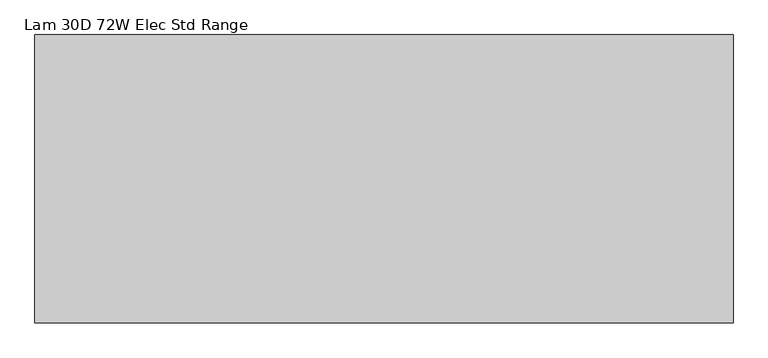
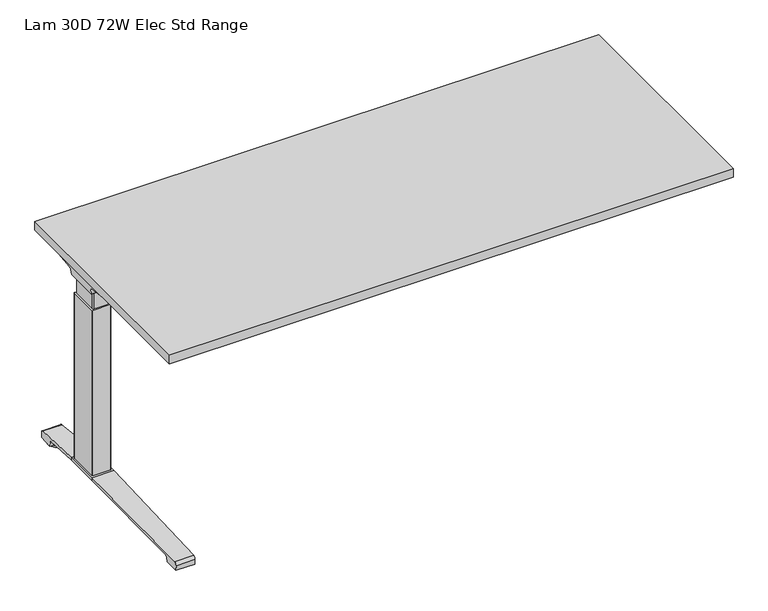
"""IFC4 building model written with IfcOpenShell, lengths in millimetres: furniture geometry, Lam 30D 72W Elec Std Range."""

from ifc_helpers import new_model, si_unit, point, frame, frame_2d, origin, place, context, project, spatial, polyline, circle_curve, ellipse_curve, trimmed, segment, composite_curve, outline, extrude, source, transform, mapped, element, save
from ifc_brep_helpers import plane_surface, cylinder_surface, revolved_surface, advanced_brep


def lam_30d_72w_elec_std_range_82334d54(model_context):
    return source(origin(), model_context, "Body", "SolidModel", [
        extrude(outline(polyline([(887.476, 366.776), (887.476, -366.776), (-887.476, -366.776), (-887.476, 366.776), (887.476, 366.776)])), frame((0.0, 0.0, 707.009), z_axis=(0.0, 0.0, 1.0), x_axis=(1.0, 0.0, 0.0)), (0.0, 0.0, 1.0), 29.591),
        advanced_brep(
        [(-871.1406297, 194.2506702, 658.5915733), (-705.4122138, 194.2506702, 658.5915733), (-719.7924181, 192.0222169, 655.9442785), (-868.6518591, 192.0222169, 655.9442785), (-871.3625278, 194.259656, 658.8276054), (-873.7619089, 194.9036827, 675.7443054), (-690.9773962, 194.9036827, 675.7443054), (-690.9773962, 194.5556965, 666.6037253), (-693.8075093, 194.4745058, 664.4710821), (-693.9501644, 194.3968397, 662.4310191), (-874.6185362, 200.3707181, 681.7839076), (-690.9773962, 200.3707181, 681.7839076), (-877.1393767, 314.9419225, 699.5569507), (-812.9243442, 314.9419225, 699.5569507), (-690.9773962, 234.1372, 687.0219877), (-877.2128152, 318.7179275, 700.0747243), (-818.6229255, 318.7179275, 700.0747243), (-877.8871296, 320.2281839, 704.8289399), (-876.1021288, 317.6512888, 707.009), (-817.0132011, 317.6512888, 707.009), (-877.8871296, -38.7453839, 704.8289399), (-877.2128152, -37.2351275, 700.0747243), (-818.6229255, -37.2351275, 700.0747243), (-817.0132011, -36.1684888, 707.009), (-876.1021288, -36.1684888, 707.009), (-877.1393767, -33.4591225, 699.5569507), (-812.9243442, -33.4591225, 699.5569507), (-874.6185362, 81.1120819, 681.7839076), (-690.9773962, 81.1120819, 681.7839076), (-690.9773962, 47.3456, 687.0219877), (-873.7619089, 86.5791173, 675.7443054), (-690.9773962, 86.5791173, 675.7443054), (-871.3625278, 87.223144, 658.8276054), (-871.1406297, 87.2321298, 658.5915733), (-705.4122138, 87.2321298, 658.5915733), (-693.9501644, 87.0859603, 662.4310191), (-693.8075093, 87.0082942, 664.4710821), (-690.9773962, 86.9271035, 666.6037253), (-868.6518591, 89.4605831, 655.9442785), (-719.7924181, 89.4605831, 655.9442785), (-690.9773962, 47.3456, 707.009), (-690.9773962, 234.1372, 707.009)],
        [
            (0, 1),
            (1, 2, ellipse_curve(frame((-729.6936465, 271.2884009, 750.1086722), z_axis=(0.0, 0.7650318638532662, -0.6439924279750482), x_axis=(0.0, 0.6439924279750482, 0.7650318638532662)), 123.7641411, 94.6835116)),
            (2, 3),
            (3, 0),
            (0, 4),
            (4, 5),
            (5, 6),
            (6, 7),
            (7, 8),
            (8, 9),
            (9, 1, ellipse_curve(frame((-729.6936465, 197.7347686, 750.1086722), z_axis=(0.0, 0.999276106683639, -0.03804290487316255), x_axis=(0.0, 0.03804290487316397, 0.999276106683639)), 94.752102, 94.6835116)),
            (5, 10, ellipse_curve(frame((-873.7119691, 201.3622409, 675.3922075), z_axis=(-0.990090671484964, 0.0, -0.14042956326377007), x_axis=(-0.1404295632637696, 0.0, 0.990090671484964)), 6.5328852, 6.4681487)),
            (10, 11),
            (11, 6, circle_curve(frame((-690.9773962, 201.3622409, 675.3922075), z_axis=(1.0, 0.0, 0.0), x_axis=(0.0, 1.0, 0.0)), 6.4681487)),
            (10, 12),
            (12, 13),
            (13, 14),
            (14, 11),
            (12, 15),
            (15, 16),
            (16, 13),
            (15, 17, ellipse_curve(frame((-877.6730772, 316.7408111, 703.3197755), z_axis=(0.990090671484964, 0.0, 0.14042956326377007), x_axis=(0.1404295632637696, 0.0, -0.990090671484964)), 3.8379455, 3.7999141)),
            (17, 18, ellipse_curve(frame((-879.122811, 316.7408111, 703.3197755), z_axis=(0.7737284588433301, 0.0, -0.6335173809580328), x_axis=(0.6335173809580328, 0.0, 0.77372845884333)), 4.9111727, 3.7999141)),
            (18, 19),
            (19, 16, ellipse_curve(frame((-815.639148, 316.7408111, 703.3197755), z_axis=(-0.5523637579768194, -0.8336031902972335, 0.0), x_axis=(0.8336031902972336, -0.5523637579768194, 0.0)), 6.8793689, 3.7999141)),
            (20, 21, ellipse_curve(frame((-877.6730772, -35.2580111, 703.3197755), z_axis=(0.990090671484964, 0.0, 0.14042956326377007), x_axis=(0.1404295632637696, 0.0, -0.990090671484964)), 3.8379455, 3.7999141)),
            (21, 22),
            (22, 23, ellipse_curve(frame((-815.639148, -35.2580111, 703.3197755), z_axis=(-0.5523637579750398, 0.8336031902984128, 0.0), x_axis=(0.8336031902984128, 0.5523637579750399, 0.0)), 6.8793689, 3.7999141)),
            (23, 24),
            (24, 20, ellipse_curve(frame((-879.122811, -35.2580111, 703.3197755), z_axis=(0.7737284588433301, 0.0, -0.6335173809580328), x_axis=(0.6335173809580328, 0.0, 0.77372845884333)), 4.9111727, 3.7999141)),
            (21, 25),
            (25, 26),
            (26, 22),
            (27, 28),
            (28, 29),
            (29, 26),
            (25, 27),
            (27, 30, ellipse_curve(frame((-873.7119691, 80.1205591, 675.3922075), z_axis=(-0.990090671484964, 0.0, -0.14042956326377007), x_axis=(-0.1404295632637696, 0.0, 0.990090671484964)), 6.5328852, 6.4681487)),
            (30, 31),
            (31, 28, circle_curve(frame((-690.9773962, 80.1205591, 675.3922075), z_axis=(1.0, 0.0, 0.0), x_axis=(0.0, 1.0, 0.0)), 6.4681487)),
            (30, 32),
            (32, 33),
            (33, 34),
            (34, 35, ellipse_curve(frame((-729.6936465, 83.7480314, 750.1086722), z_axis=(0.0, -0.9992761066836363, -0.03804290487323539), x_axis=(0.0, 0.03804290487323121, -0.9992761066836364)), 94.752102, 94.6835116)),
            (35, 36),
            (36, 37),
            (37, 31),
            (33, 38),
            (38, 39),
            (39, 34, ellipse_curve(frame((-729.6936465, 10.1943991, 750.1086722), z_axis=(0.0, -0.7650318638534733, -0.643992427974802), x_axis=(0.0, 0.643992427974802, -0.7650318638534732)), 123.7641411, 94.6835116)),
            (4, 32),
            (20, 17),
            (24, 18),
            (23, 40),
            (40, 41),
            (41, 19),
            (37, 7),
            (14, 41),
            (40, 29),
            (36, 8),
            (35, 9),
            (39, 2),
            (38, 3),
        ],
        [
            plane_surface(frame((-894.1773962, 192.0222169, 655.9442785), z_axis=(0.0, 0.7650318638532662, -0.6439924279750482), x_axis=(1.0, 0.0, 0.0))),
            plane_surface(frame((-894.1773962, 194.2506702, 658.5915733), z_axis=(0.0, 0.999276106683639, -0.03804290487316255), x_axis=(1.0, 0.0, 0.0))),
            revolved_surface(polyline([(-874.6293793154883, 207.8303896, 675.3922075), (-690.9773962, 207.8303896, 675.3922075)]), (-894.1773962, 201.3622409, 675.3922075), (-1.0, 0.0, 0.0)),
            plane_surface(frame((-894.1773962, 200.3707181, 681.7839076), z_axis=(0.0, 0.153293135871396, -0.9881807600306302), x_axis=(1.0, 0.0, 0.0))),
            plane_surface(frame((-894.1773962, 314.9419225, 699.5569507), z_axis=(0.0, 0.13585085469026903, -0.9907292996979162), x_axis=(1.0, 0.0, 0.0))),
            cylinder_surface(frame((-894.1773962, 316.7408111, 703.3197755), z_axis=(1.0, 0.0, 0.0), x_axis=(0.0, 1.0, 0.0)), 3.7999141),
            cylinder_surface(frame((-894.1773962, -35.2580111, 703.3197755), z_axis=(1.0, 0.0, 0.0), x_axis=(0.0, 1.0, 0.0)), 3.7999141),
            plane_surface(frame((-894.1773962, -37.2351275, 700.0747243), z_axis=(0.0, -0.13585085468791205, -0.9907292996982394), x_axis=(1.0, 0.0, 0.0))),
            plane_surface(frame((-894.1773962, -33.4591225, 699.5569507), z_axis=(0.0, -0.1532931358714066, -0.9881807600306285), x_axis=(1.0, 0.0, 0.0))),
            revolved_surface(polyline([(-874.6293793154883, 86.5887078, 675.3922075), (-690.9773962, 86.5887078, 675.3922075)]), (-894.1773962, 80.1205591, 675.3922075), (-1.0, 0.0, 0.0)),
            plane_surface(frame((-894.1773962, 86.5791173, 675.7443054), z_axis=(0.0, -0.9992761066836363, -0.03804290487323539), x_axis=(1.0, 0.0, 0.0))),
            plane_surface(frame((-894.1773962, 87.2321298, 658.5915733), z_axis=(0.0, -0.7650318638534733, -0.643992427974802), x_axis=(1.0, 0.0, 0.0))),
            plane_surface(frame((-871.3625278, 331.2414, 658.8276054), z_axis=(-0.990090671484964, 0.0, -0.14042956326377007), x_axis=(0.0, -1.0, 0.0))),
            plane_surface(frame((-877.8871296, 331.2414, 704.8289399), z_axis=(-0.7737284588433301, 0.0, 0.6335173809580328), x_axis=(0.0, -1.0, 0.0))),
            plane_surface(frame((-876.1021288, 331.2414, 707.009), z_axis=(0.0, 0.0, 1.0), x_axis=(0.0, -1.0, 0.0))),
            plane_surface(frame((-690.9773962, 331.2414, 707.009), z_axis=(1.0, 0.0, 0.0), x_axis=(0.0, -1.0, 0.0))),
            plane_surface(frame((-690.9773962, 331.2414, 666.6037253), z_axis=(0.6018150231516275, 0.0, -0.7986355100476099), x_axis=(0.0, -1.0, 0.0))),
            plane_surface(frame((-693.8075093, 331.2414, 664.4710821), z_axis=(0.9975640502600398, 0.0, -0.06975647374104288), x_axis=(0.0, -1.0, 0.0))),
            cylinder_surface(frame((-729.6936465, 331.2414, 750.1086722), z_axis=(0.0, 1.0, 0.0), x_axis=(1.0, 0.0, 0.0)), 94.6835116),
            plane_surface(frame((-719.7924181, 331.2414, 655.9442785), z_axis=(0.0, 0.0, -1.0), x_axis=(0.0, -1.0, 0.0))),
            plane_surface(frame((-868.6518591, 331.2414, 655.9442785), z_axis=(-0.728584606419653, 0.0, -0.6849558170337118), x_axis=(0.0, -1.0, 0.0))),
            plane_surface(frame((-837.5228017, 331.2414, 707.009), z_axis=(0.5523637579768194, 0.8336031902972335, 0.0), x_axis=(0.0, 0.0, -1.0))),
            plane_surface(frame((-690.9773962, 47.3456, 707.009), z_axis=(0.5523637579750398, -0.8336031902984128, 0.0), x_axis=(0.0, 0.0, -1.0))),
        ],
        [
            (0, [[1, 2, 3, 4]]),
            (1, [[-1, 5, 6, 7, 8, 9, 10, 11]]),
            (2, [[-7, 12, 13, 14]]),
            (3, [[-13, 15, 16, 17, 18]]),
            (4, [[19, 20, 21, -16]]),
            (5, [[22, 23, 24, 25, -20]]),
            (6, [[26, 27, 28, 29, 30]]),
            (7, [[31, 32, 33, -27]]),
            (8, [[34, 35, 36, -32, 37]]),
            (9, [[-34, 38, 39, 40]]),
            (10, [[-39, 41, 42, 43, 44, 45, 46, 47]]),
            (11, [[-43, 48, 49, 50]]),
            (12, [[51, -41, -38, -37, -31, -26, 52, -22, -19, -15, -12, -6]]),
            (13, [[-52, -30, 53, -23]]),
            (14, [[-53, -29, 54, 55, 56, -24]]),
            (15, [[57, -8, -14, -18, 58, -55, 59, -35, -40, -47]]),
            (16, [[-57, -46, 60, -9]]),
            (17, [[-60, -45, 61, -10]]),
            (18, [[-61, -44, -50, 62, -2, -11]]),
            (19, [[-62, -49, 63, -3]]),
            (20, [[-51, -5, -4, -63, -48, -42]]),
            (21, [[-56, -58, -17, -21, -25]]),
            (22, [[-54, -28, -33, -36, -59]]),
        ],
    ),
        advanced_brep(
        [(705.4122138, 194.2506702, 658.5915733), (871.1406297, 194.2506702, 658.5915733), (868.6518591, 192.0222169, 655.9442785), (719.7924181, 192.0222169, 655.9442785), (693.9501644, 194.3968397, 662.4310191), (693.8075093, 194.4745058, 664.4710821), (691.1619573, 194.5504018, 666.4646485), (691.1619573, 194.9036827, 675.7443054), (873.7619089, 194.9036827, 675.7443054), (871.3625278, 194.259656, 658.8276054), (691.1619573, 200.3707181, 681.7839076), (874.6185362, 200.3707181, 681.7839076), (691.1619573, 234.1303953, 687.0209321), (812.9570453, 314.9419225, 699.5569507), (877.1393767, 314.9419225, 699.5569507), (877.2128152, 318.7179275, 700.0747243), (818.6480509, 318.7179275, 700.0747243), (877.8871296, 320.2281839, 704.8289399), (817.0404665, 317.6512888, 707.009), (876.1021288, 317.6512888, 707.009), (877.2128152, -37.2351275, 700.0747243), (877.8871296, -38.7453839, 704.8289399), (876.1021288, -36.1684888, 707.009), (817.0404665, -36.1684888, 707.009), (818.6480509, -37.2351275, 700.0747243), (877.1393767, -33.4591225, 699.5569507), (812.9570453, -33.4591225, 699.5569507), (691.1619573, 81.1120819, 681.7839076), (874.6185362, 81.1120819, 681.7839076), (691.1619573, 47.3524047, 687.0209321), (691.1619573, 86.5791173, 675.7443054), (873.7619089, 86.5791173, 675.7443054), (691.1619573, 86.9323982, 666.4646485), (693.8075093, 87.0082942, 664.4710821), (693.9501644, 87.0859603, 662.4310191), (705.4122138, 87.2321298, 658.5915733), (871.1406297, 87.2321298, 658.5915733), (871.3625278, 87.223144, 658.8276054), (719.7924181, 89.4605831, 655.9442785), (868.6518591, 89.4605831, 655.9442785), (691.1619573, 234.1303953, 707.009), (691.1619573, 47.3524047, 707.009)],
        [
            (0, 1),
            (1, 2),
            (2, 3),
            (3, 0, ellipse_curve(frame((729.6936465, 271.2884009, 750.1086722), z_axis=(0.0, 0.7650318638532565, -0.6439924279750596), x_axis=(0.0, -0.6439924279750596, -0.7650318638532564)), 123.7641411, 94.6835116)),
            (0, 4, ellipse_curve(frame((729.6936465, 197.7347686, 750.1086722), z_axis=(0.0, 0.9992761066836392, -0.03804290487315862), x_axis=(0.0, -0.03804290487315623, -0.9992761066836393)), 94.752102, 94.6835116)),
            (4, 5),
            (5, 6),
            (6, 7),
            (7, 8),
            (8, 9),
            (9, 1),
            (7, 10, circle_curve(frame((691.1619573, 201.3622409, 675.3922075), z_axis=(-1.0, 0.0, 0.0), x_axis=(0.0, 1.0, 0.0)), 6.4681487)),
            (10, 11),
            (11, 8, ellipse_curve(frame((873.7119691, 201.3622409, 675.3922075), z_axis=(0.9900906714849659, 0.0, -0.1404295632637567), x_axis=(-0.1404295632637562, 0.0, -0.9900906714849659)), 6.5328852, 6.4681487)),
            (10, 12),
            (12, 13),
            (13, 14),
            (14, 11),
            (15, 14),
            (13, 16),
            (16, 15),
            (17, 15, ellipse_curve(frame((877.6730772, 316.7408111, 703.3197755), z_axis=(-0.9900906714849659, 0.0, 0.1404295632637567), x_axis=(0.1404295632637562, 0.0, 0.9900906714849659)), 3.8379455, 3.7999141)),
            (16, 18, ellipse_curve(frame((815.66824, 316.7408111, 703.3197755), z_axis=(0.5528743936295497, -0.8332646067539158, 0.0), x_axis=(0.8332646067539156, 0.5528743936295497, 0.0)), 6.8730151, 3.7999141)),
            (18, 19),
            (19, 17, ellipse_curve(frame((879.122811, 316.7408111, 703.3197755), z_axis=(-0.7737284588399557, 0.0, -0.633517380962154), x_axis=(0.6335173809621538, 0.0, -0.7737284588399556)), 4.9111727, 3.7999141)),
            (20, 21, ellipse_curve(frame((877.6730772, -35.2580111, 703.3197755), z_axis=(-0.9900906714849659, 0.0, 0.1404295632637567), x_axis=(0.1404295632637562, 0.0, 0.9900906714849659)), 3.8379455, 3.7999141)),
            (21, 22, ellipse_curve(frame((879.122811, -35.2580111, 703.3197755), z_axis=(-0.7737284588399557, 0.0, -0.633517380962154), x_axis=(0.6335173809621538, 0.0, -0.7737284588399556)), 4.9111727, 3.7999141)),
            (22, 23),
            (23, 24, ellipse_curve(frame((815.66824, -35.2580111, 703.3197755), z_axis=(0.5528743936295342, 0.8332646067539261, 0.0), x_axis=(0.8332646067539259, -0.5528743936295342, 0.0)), 6.8730151, 3.7999141)),
            (24, 20),
            (25, 20),
            (24, 26),
            (26, 25),
            (27, 28),
            (28, 25),
            (26, 29),
            (29, 27),
            (27, 30, circle_curve(frame((691.1619573, 80.1205591, 675.3922075), z_axis=(-1.0, 0.0, 0.0), x_axis=(0.0, 1.0, 0.0)), 6.4681487)),
            (30, 31),
            (31, 28, ellipse_curve(frame((873.7119691, 80.1205591, 675.3922075), z_axis=(0.9900906714849659, 0.0, -0.1404295632637567), x_axis=(-0.1404295632637562, 0.0, -0.9900906714849659)), 6.5328852, 6.4681487)),
            (30, 32),
            (32, 33),
            (33, 34),
            (34, 35, ellipse_curve(frame((729.6936465, 83.7480314, 750.1086722), z_axis=(0.0, -0.9992761066836363, -0.03804290487323539), x_axis=(0.0, -0.03804290487323121, 0.9992761066836364)), 94.752102, 94.6835116)),
            (35, 36),
            (36, 37),
            (37, 31),
            (35, 38, ellipse_curve(frame((729.6936465, 10.1943991, 750.1086722), z_axis=(0.0, -0.7650318638534733, -0.643992427974802), x_axis=(0.0, -0.643992427974802, 0.7650318638534732)), 123.7641411, 94.6835116)),
            (38, 39),
            (39, 36),
            (37, 9),
            (17, 21),
            (19, 22),
            (18, 40),
            (40, 41),
            (41, 23),
            (6, 32),
            (29, 41),
            (40, 12),
            (5, 33),
            (4, 34),
            (3, 38),
            (2, 39),
        ],
        [
            plane_surface(frame((691.1619573, 192.0222169, 655.9442785), z_axis=(0.0, 0.7650318638532565, -0.6439924279750596), x_axis=(1.0, 0.0, 0.0))),
            plane_surface(frame((691.1619573, 194.2506702, 658.5915733), z_axis=(0.0, 0.9992761066836392, -0.03804290487315862), x_axis=(1.0, 0.0, 0.0))),
            revolved_surface(polyline([(691.1619573, 207.8303896, 675.3922075), (874.6293793154882, 207.8303896, 675.3922075)]), (691.1619573, 201.3622409, 675.3922075), (-1.0, 0.0, 0.0)),
            plane_surface(frame((691.1619573, 200.3707181, 681.7839076), z_axis=(0.0, 0.15329313587140309, -0.988180760030629), x_axis=(1.0, 0.0, 0.0))),
            plane_surface(frame((691.1619573, 314.9419225, 699.5569507), z_axis=(0.0, 0.1358508546900816, -0.9907292996979419), x_axis=(1.0, 0.0, 0.0))),
            cylinder_surface(frame((691.1619573, 316.7408111, 703.3197755), z_axis=(1.0, 0.0, 0.0), x_axis=(0.0, 1.0, 0.0)), 3.7999141),
            cylinder_surface(frame((691.1619573, -35.2580111, 703.3197755), z_axis=(1.0, 0.0, 0.0), x_axis=(0.0, 1.0, 0.0)), 3.7999141),
            plane_surface(frame((691.1619573, -37.2351275, 700.0747243), z_axis=(0.0, -0.1358508546877776, -0.9907292996982578), x_axis=(1.0, 0.0, 0.0))),
            plane_surface(frame((691.1619573, -33.4591225, 699.5569507), z_axis=(0.0, -0.15329313587141113, -0.9881807600306277), x_axis=(1.0, 0.0, 0.0))),
            revolved_surface(polyline([(691.1619573, 86.5887078, 675.3922075), (874.6293793154882, 86.5887078, 675.3922075)]), (691.1619573, 80.1205591, 675.3922075), (-1.0, 0.0, 0.0)),
            plane_surface(frame((691.1619573, 86.5791173, 675.7443054), z_axis=(0.0, -0.9992761066836363, -0.03804290487323539), x_axis=(1.0, 0.0, 0.0))),
            plane_surface(frame((691.1619573, 87.2321298, 658.5915733), z_axis=(0.0, -0.7650318638534733, -0.643992427974802), x_axis=(1.0, 0.0, 0.0))),
            plane_surface(frame((871.3625278, -49.7586, 658.8276054), z_axis=(0.9900906714849659, 0.0, -0.1404295632637567), x_axis=(0.0, 1.0, 0.0))),
            plane_surface(frame((877.8871296, -49.7586, 704.8289399), z_axis=(0.7737284588399557, 0.0, 0.633517380962154), x_axis=(0.0, 1.0, 0.0))),
            plane_surface(frame((876.1021288, -49.7586, 707.009), z_axis=(0.0, 0.0, 1.0), x_axis=(0.0, 1.0, 0.0))),
            plane_surface(frame((691.1619573, -49.7586, 707.009), z_axis=(-1.0, 0.0, 0.0), x_axis=(0.0, 1.0, 0.0))),
            plane_surface(frame((691.1619573, -49.7586, 666.4646485), z_axis=(-0.6018150231540728, 0.0, -0.7986355100457674), x_axis=(0.0, 1.0, 0.0))),
            plane_surface(frame((693.8075093, -49.7586, 664.4710821), z_axis=(-0.9975640502598242, 0.0, -0.06975647374412697), x_axis=(0.0, 1.0, 0.0))),
            cylinder_surface(frame((729.6936465, -49.7586, 750.1086722), z_axis=(0.0, -1.0, 0.0), x_axis=(-1.0, 0.0, 0.0)), 94.6835116),
            plane_surface(frame((719.7924181, -49.7586, 655.9442785), z_axis=(0.0, 0.0, -1.0), x_axis=(0.0, 1.0, 0.0))),
            plane_surface(frame((868.6518591, -49.7586, 655.9442785), z_axis=(0.7285846064222866, 0.0, -0.6849558170309101), x_axis=(0.0, 1.0, 0.0))),
            plane_surface(frame((691.1619573, 234.1303953, 707.009), z_axis=(-0.5528743936295497, 0.8332646067539158, 0.0), x_axis=(0.0, 0.0, -1.0))),
            plane_surface(frame((837.5228017, -49.7586, 707.009), z_axis=(-0.5528743936295342, -0.8332646067539261, 0.0), x_axis=(0.0, 0.0, -1.0))),
        ],
        [
            (0, [[1, 2, 3, 4]]),
            (1, [[-1, 5, 6, 7, 8, 9, 10, 11]]),
            (2, [[-9, 12, 13, 14]]),
            (3, [[-13, 15, 16, 17, 18]]),
            (4, [[19, -17, 20, 21]]),
            (5, [[22, -21, 23, 24, 25]]),
            (6, [[26, 27, 28, 29, 30]]),
            (7, [[31, -30, 32, 33]]),
            (8, [[34, 35, -33, 36, 37]]),
            (9, [[-34, 38, 39, 40]]),
            (10, [[-39, 41, 42, 43, 44, 45, 46, 47]]),
            (11, [[-45, 48, 49, 50]]),
            (12, [[51, -10, -14, -18, -19, -22, 52, -26, -31, -35, -40, -47]]),
            (13, [[-52, -25, 53, -27]]),
            (14, [[-53, -24, 54, 55, 56, -28]]),
            (15, [[57, -41, -38, -37, 58, -55, 59, -15, -12, -8]]),
            (16, [[-57, -7, 60, -42]]),
            (17, [[-60, -6, 61, -43]]),
            (18, [[-61, -5, -4, 62, -48, -44]]),
            (19, [[-62, -3, 63, -49]]),
            (20, [[-51, -46, -50, -63, -2, -11]]),
            (21, [[-54, -23, -20, -16, -59]]),
            (22, [[-56, -58, -36, -32, -29]]),
        ],
    ),
        advanced_brep(
        [(-690.9773962, 219.4245697, 701.7794894), (-690.9773962, 221.1889242, 704.0075511), (-690.9773962, 232.1695225, 704.0075511), (-690.9773962, 232.8996919, 701.4093085), (-690.9773962, 211.4733108, 671.8462148), (-690.9773962, 194.0724914, 663.2452863), (-690.9773962, 87.2846156, 663.2452863), (-690.9773962, 69.6568217, 672.2997482), (-690.9773962, 48.3221138, 702.0706054), (-690.9773962, 49.9606766, 704.1266572), (-690.9773962, 60.1758098, 704.1266572), (-690.9773962, 62.0467848, 701.7794894), (-690.9773962, 61.3055637, 701.2423822), (-690.9773962, 59.7353363, 703.2122572), (-690.9773962, 50.0567238, 703.2122572), (-690.9773962, 49.2508351, 702.3444366), (-690.9773962, 70.4000744, 672.8323858), (-690.9773962, 87.2846156, 664.1598536), (-690.9773962, 194.0724914, 664.1596863), (-690.9773962, 210.73984, 672.3923713), (-690.9773962, 232.0935627, 701.8552144), (-690.9773962, 231.8362942, 703.0931511), (-690.9773962, 221.631209, 703.0931511), (-690.9773962, 220.1656719, 701.2424419), (691.1619573, 219.4245697, 701.7794894), (691.1619573, 220.1656719, 701.2424419), (691.1619573, 221.631209, 703.0931511), (691.1619573, 231.8362942, 703.0931511), (691.1619573, 232.0935627, 701.8552144), (691.1619573, 210.73984, 672.3923713), (691.1619573, 194.0724914, 664.1596863), (691.1619573, 87.2846155, 664.1596863), (691.1619573, 70.4000744, 672.8323858), (691.1619573, 49.2508351, 702.3444366), (691.1619573, 50.0567238, 703.2122572), (691.1619573, 59.7353363, 703.2122572), (691.1619573, 61.3055637, 701.2423822), (691.1619573, 62.0467848, 701.7794894), (691.1619573, 60.1758098, 704.1266572), (691.1619573, 49.9606766, 704.1266572), (691.1619573, 48.3221138, 702.0706054), (691.1619573, 69.6568217, 672.2997482), (691.1619573, 87.2846156, 663.2454536), (691.1619573, 194.0724914, 663.2452863), (691.1619573, 211.4733108, 671.8462148), (691.1619573, 232.8996919, 701.4093085), (691.1619573, 232.1695225, 704.0075511), (691.1619573, 221.1889242, 704.0075511)],
        [
            (0, 1),
            (1, 2),
            (2, 3, circle_curve(frame((-690.9773962, 230.9519576, 702.2636667), z_axis=(-1.0, 0.0, 0.0), x_axis=(0.0, 1.0, 0.0)), 2.1268749)),
            (3, 4),
            (4, 5, circle_curve(frame((-690.9773962, 194.0724914, 685.1478336), z_axis=(-1.0, 0.0, 0.0), x_axis=(0.0, 1.0, 0.0)), 21.9025472)),
            (5, 6),
            (6, 7, circle_curve(frame((-690.9773962, 87.2846156, 684.932365), z_axis=(-1.0, 0.0, 0.0), x_axis=(0.0, 1.0, 0.0)), 21.6869114)),
            (7, 8),
            (8, 9, circle_curve(frame((-690.9773962, 50.3224635, 702.1573833), z_axis=(-1.0, 0.0, 0.0), x_axis=(0.0, 1.0, 0.0)), 2.0022311)),
            (9, 10),
            (10, 11),
            (11, 12),
            (12, 13),
            (13, 14),
            (14, 15, circle_curve(frame((-690.9773962, 50.3224635, 702.1573833), z_axis=(1.0, 0.0, 0.0), x_axis=(0.0, 1.0, 0.0)), 1.0878311)),
            (15, 16),
            (16, 17, circle_curve(frame((-690.9773962, 87.2846156, 684.932365), z_axis=(1.0, 0.0, 0.0), x_axis=(0.0, 1.0, 0.0)), 20.7725114)),
            (17, 18),
            (18, 19, circle_curve(frame((-690.9773962, 194.0724914, 685.1478336), z_axis=(1.0, 0.0, 0.0), x_axis=(0.0, 1.0, 0.0)), 20.9881473)),
            (19, 20),
            (20, 21, circle_curve(frame((-690.9773962, 230.9519576, 702.2636667), z_axis=(1.0, 0.0, 0.0), x_axis=(0.0, 1.0, 0.0)), 1.2124749)),
            (21, 22),
            (22, 23),
            (23, 0),
            (24, 25),
            (25, 26),
            (26, 27),
            (27, 28, circle_curve(frame((691.1619573, 230.9519576, 702.2636667), z_axis=(-1.0, 0.0, 0.0), x_axis=(0.0, 1.0, 0.0)), 1.2124749)),
            (28, 29),
            (29, 30, circle_curve(frame((691.1619573, 194.0724914, 685.1478336), z_axis=(-1.0, 0.0, 0.0), x_axis=(0.0, 1.0, 0.0)), 20.9881473)),
            (30, 31),
            (31, 32, circle_curve(frame((691.1619573, 87.2846156, 684.932365), z_axis=(-1.0, 0.0, 0.0), x_axis=(0.0, 1.0, 0.0)), 20.7725114)),
            (32, 33),
            (33, 34, circle_curve(frame((691.1619573, 50.3224635, 702.1573833), z_axis=(-1.0, 0.0, 0.0), x_axis=(0.0, 1.0, 0.0)), 1.0878311)),
            (34, 35),
            (35, 36),
            (36, 37),
            (37, 38),
            (38, 39),
            (39, 40, circle_curve(frame((691.1619573, 50.3224635, 702.1573833), z_axis=(1.0, 0.0, 0.0), x_axis=(0.0, 1.0, 0.0)), 2.0022311)),
            (40, 41),
            (41, 42, circle_curve(frame((691.1619573, 87.2846156, 684.932365), z_axis=(1.0, 0.0, 0.0), x_axis=(0.0, 1.0, 0.0)), 21.6869114)),
            (42, 43),
            (43, 44, circle_curve(frame((691.1619573, 194.0724914, 685.1478336), z_axis=(1.0, 0.0, 0.0), x_axis=(0.0, 1.0, 0.0)), 21.9025472)),
            (44, 45),
            (45, 46, circle_curve(frame((691.1619573, 230.9519576, 702.2636667), z_axis=(1.0, 0.0, 0.0), x_axis=(0.0, 1.0, 0.0)), 2.1268749)),
            (46, 47),
            (47, 24),
            (0, 24),
            (47, 1),
            (46, 2),
            (45, 3),
            (44, 4),
            (43, 5),
            (42, 6),
            (41, 7),
            (40, 8),
            (39, 9),
            (38, 10),
            (37, 11),
            (36, 12),
            (35, 13),
            (34, 14),
            (33, 15),
            (32, 16),
            (31, 17),
            (30, 18),
            (29, 19),
            (28, 20),
            (27, 21),
            (26, 22),
            (25, 23),
        ],
        [
            plane_surface(frame((-690.9773962, 140.7414, 707.009), z_axis=(-1.0, 0.0, 0.0), x_axis=(0.0, 0.0, 1.0))),
            plane_surface(frame((691.1619573, 140.7414, 707.009), z_axis=(1.0, 0.0, 0.0), x_axis=(0.0, 0.0, 1.0))),
            plane_surface(frame((-690.9773962, 219.4245697, 701.7794894), z_axis=(0.0, -0.7839649337165058, 0.6208051084703434), x_axis=(1.0, 0.0, 0.0))),
            plane_surface(frame((-690.9773962, 221.1889242, 704.0075511), z_axis=(0.0, 0.0, 1.0), x_axis=(1.0, 0.0, 0.0))),
            cylinder_surface(frame((-690.9773962, 230.9519576, 702.2636667), z_axis=(-1.0, 0.0, 0.0), x_axis=(0.0, 1.0, 0.0)), 2.1268749),
            plane_surface(frame((-690.9773962, 232.8996919, 701.4093085), z_axis=(0.0, 0.8096997445281038, -0.586844377762217), x_axis=(1.0, 0.0, 0.0))),
            cylinder_surface(frame((-690.9773962, 194.0724914, 685.1478336), z_axis=(-1.0, 0.0, 0.0), x_axis=(0.0, 1.0, 0.0)), 21.9025472),
            plane_surface(frame((-690.9773962, 194.0724914, 663.2452863), z_axis=(0.0, 0.0, -1.0), x_axis=(1.0, 0.0, 0.0))),
            cylinder_surface(frame((-690.9773962, 87.2846156, 684.932365), z_axis=(-1.0, 0.0, 0.0), x_axis=(0.0, 1.0, 0.0)), 21.6869114),
            plane_surface(frame((-690.9773962, 69.6568217, 672.2997482), z_axis=(0.0, -0.8128309997561537, -0.5824995844079305), x_axis=(1.0, 0.0, 0.0))),
            cylinder_surface(frame((-690.9773962, 50.3224635, 702.1573833), z_axis=(-1.0, 0.0, 0.0), x_axis=(0.0, 1.0, 0.0)), 2.0022311),
            plane_surface(frame((-690.9773962, 49.9606766, 704.1266572), z_axis=(0.0, 0.0, 1.0), x_axis=(1.0, 0.0, 0.0))),
            plane_surface(frame((-690.9773962, 60.1758098, 704.1266572), z_axis=(0.0, 0.7819660587237972, 0.6233210112004657), x_axis=(1.0, 0.0, 0.0))),
            plane_surface(frame((-690.9773962, 62.0467848, 701.7794894), z_axis=(0.0, 0.5867684336468096, -0.8097547809526473), x_axis=(1.0, 0.0, 0.0))),
            plane_surface(frame((-690.9773962, 61.3055637, 701.2423822), z_axis=(0.0, -0.7819660587239206, -0.6233210112003109), x_axis=(1.0, 0.0, 0.0))),
            plane_surface(frame((-690.9773962, 59.7353363, 703.2122572), z_axis=(0.0, 0.0, -1.0), x_axis=(1.0, 0.0, 0.0))),
            revolved_surface(polyline([(691.1619573000002, 51.4102946, 702.1573833), (-690.9773962, 51.4102946, 702.1573833)]), (-690.9773962, 50.3224635, 702.1573833), (1.0, 0.0, 0.0)),
            plane_surface(frame((-690.9773962, 49.2508351, 702.3444366), z_axis=(0.0, 0.8128309996716102, 0.582499584525904), x_axis=(1.0, 0.0, 0.0))),
            revolved_surface(polyline([(691.1619573000002, 108.057127, 684.932365), (-690.9773962, 108.057127, 684.932365)]), (-690.9773962, 87.2846156, 684.932365), (1.0, 0.0, 0.0)),
            plane_surface(frame((-690.9773962, 87.2846155, 664.1596863), z_axis=(0.0, 0.0, 1.0), x_axis=(1.0, 0.0, 0.0))),
            revolved_surface(polyline([(691.1619573000002, 215.0606387, 685.1478336), (-690.9773962, 215.0606387, 685.1478336)]), (-690.9773962, 194.0724914, 685.1478336), (1.0, 0.0, 0.0)),
            plane_surface(frame((-690.9773962, 210.73984, 672.3923713), z_axis=(0.0, -0.8096997449536107, 0.5868443771751228), x_axis=(1.0, 0.0, 0.0))),
            revolved_surface(polyline([(691.1619573000002, 232.16443249999998, 702.2636667), (-690.9773962, 232.16443249999998, 702.2636667)]), (-690.9773962, 230.9519576, 702.2636667), (1.0, 0.0, 0.0)),
            plane_surface(frame((-690.9773962, 231.8362942, 703.0931511), z_axis=(0.0, 0.0, -1.0), x_axis=(1.0, 0.0, 0.0))),
            plane_surface(frame((-690.9773962, 221.631209, 703.0931511), z_axis=(0.0, 0.7839649337164979, -0.6208051084703533), x_axis=(1.0, 0.0, 0.0))),
            plane_surface(frame((-690.9773962, 220.1656719, 701.2424419), z_axis=(0.0, -0.5867873637752554, -0.8097410633737715), x_axis=(1.0, 0.0, 0.0))),
        ],
        [
            (0, [[1, 2, 3, 4, 5, 6, 7, 8, 9, 10, 11, 12, 13, 14, 15, 16, 17, 18, 19, 20, 21, 22, 23, 24]]),
            (1, [[25, 26, 27, 28, 29, 30, 31, 32, 33, 34, 35, 36, 37, 38, 39, 40, 41, 42, 43, 44, 45, 46, 47, 48]]),
            (2, [[-1, 49, -48, 50]]),
            (3, [[-2, -50, -47, 51]]),
            (4, [[-3, -51, -46, 52]]),
            (5, [[-4, -52, -45, 53]]),
            (6, [[-5, -53, -44, 54]]),
            (7, [[-6, -54, -43, 55]]),
            (8, [[-7, -55, -42, 56]]),
            (9, [[-8, -56, -41, 57]]),
            (10, [[-9, -57, -40, 58]]),
            (11, [[-10, -58, -39, 59]]),
            (12, [[-11, -59, -38, 60]]),
            (13, [[-12, -60, -37, 61]]),
            (14, [[-13, -61, -36, 62]]),
            (15, [[-14, -62, -35, 63]]),
            (16, [[-15, -63, -34, 64]]),
            (17, [[-16, -64, -33, 65]]),
            (18, [[-17, -65, -32, 66]]),
            (19, [[-18, -66, -31, 67]]),
            (20, [[-19, -67, -30, 68]]),
            (21, [[-20, -68, -29, 69]]),
            (22, [[-21, -69, -28, 70]]),
            (23, [[-22, -70, -27, 71]]),
            (24, [[-23, -71, -26, 72]]),
            (25, [[-24, -72, -25, -49]]),
        ],
    ),
        extrude(outline(composite_curve([segment(polyline([(55.5056383, 705.3739712), (47.2253898, 705.3739712), (46.7140592, 704.3565876), (69.739753, 672.4872047)]), True, "CONTINUOUS"), segment(trimmed(circle_curve(frame_2d((87.8837814, 688.0741393)), 23.9198306), [point((69.739753, 672.4872047))], [point((87.8837814, 664.1543087))], True, "CARTESIAN"), True, "CONTINUOUS"), segment(polyline([(87.8837814, 664.1543087), (301.5718611, 664.1543087)]), True, "CONTINUOUS"), segment(trimmed(circle_curve(frame_2d((302.3659677, 686.2522042)), 22.1121593), [point((301.5718611, 664.1543087))], [point((320.2711793, 673.2771903))], True, "CARTESIAN"), True, "CONTINUOUS"), segment(polyline([(320.2711793, 673.2771903), (342.2234672, 703.5708273), (342.9639039, 703.0342821), (321.0116102, 672.740637)]), True, "CONTINUOUS"), segment(trimmed(circle_curve(frame_2d((302.3659677, 686.2522042)), 23.0265593), [point((321.0116102, 672.740637))], [point((301.555603, 663.2399087))], False, "CARTESIAN"), True, "CONTINUOUS"), segment(polyline([(301.555603, 663.2399087), (87.8837814, 663.2399087)]), True, "CONTINUOUS"), segment(trimmed(circle_curve(frame_2d((87.8837814, 688.0741393)), 24.8342306), [point((87.8837814, 663.2399087))], [point((69.0208769, 671.9208163))], False, "CARTESIAN"), True, "CONTINUOUS"), segment(polyline([(69.0208769, 671.9208163), (45.6477131, 704.2711252), (46.6615684, 706.2883712), (55.7445219, 706.2883712), (55.5056383, 705.3739712)]), True, "CONTINUOUS")], self_intersect=False)), frame((-690.9773962, 0.0, 0.0), z_axis=(1.0, 0.0, 0.0), x_axis=(0.0, 1.0, 0.0)), (0.0, 0.0, 1.0), 1382.1393535),
        advanced_brep(
        [(814.7283088, 185.4896497, 655.9442785), (811.9624028, 183.1364111, 655.9442785), (811.9624028, 98.3627858, 655.9442785), (815.0159671, 96.013387, 655.9442785), (858.3299922, 95.9931503, 655.9442785), (861.3895972, 98.3628936, 655.9442785), (861.3895972, 183.1364956, 655.9442785), (858.6236912, 185.4896497, 655.9442785), (814.7283088, 185.4896497, 599.0990785), (858.6236912, 185.4896497, 599.0990785), (861.3895972, 183.1364956, 599.0990785), (861.3895972, 98.3628936, 599.0990785), (858.3360098, 96.0133923, 599.0990785), (815.0220078, 95.9931503, 599.0990785), (811.9624028, 98.3627858, 599.0990785), (811.9624028, 183.1364111, 599.0990785)],
        [
            (0, 1, circle_curve(frame((815.0300788, 182.3328719, 655.9442785), z_axis=(0.0, 0.0, 1.0), x_axis=(1.0, 0.0, 0.0)), 3.1711688)),
            (1, 2),
            (2, 3, circle_curve(frame((815.0159671, 99.172478, 655.9442785), z_axis=(0.0, 0.0, 1.0), x_axis=(1.0, 0.0, 0.0)), 3.1590911)),
            (3, 4),
            (4, 5, circle_curve(frame((858.3360098, 99.172478, 655.9442785), z_axis=(0.0, 0.0, 1.0), x_axis=(1.0, 0.0, 0.0)), 3.1590858)),
            (5, 6),
            (6, 7, circle_curve(frame((858.3219439, 182.3328698, 655.9442785), z_axis=(0.0, 0.0, 1.0), x_axis=(1.0, 0.0, 0.0)), 3.1711687)),
            (7, 0),
            (8, 9),
            (9, 10, circle_curve(frame((858.3219439, 182.3328698, 599.0990785), z_axis=(0.0, 0.0, -1.0), x_axis=(1.0, 0.0, 0.0)), 3.1711687)),
            (10, 11),
            (11, 12, circle_curve(frame((858.3360098, 99.172478, 599.0990785), z_axis=(0.0, 0.0, -1.0), x_axis=(1.0, 0.0, 0.0)), 3.1590858)),
            (12, 13),
            (13, 14, circle_curve(frame((815.0159671, 99.172478, 599.0990785), z_axis=(0.0, 0.0, -1.0), x_axis=(1.0, 0.0, 0.0)), 3.1590911)),
            (14, 15),
            (15, 8, circle_curve(frame((815.0300788, 182.3328719, 599.0990785), z_axis=(0.0, 0.0, -1.0), x_axis=(1.0, 0.0, 0.0)), 3.1711688)),
            (7, 9),
            (8, 0),
            (6, 10),
            (5, 11),
            (4, 12),
            (3, 13),
            (2, 14),
            (1, 15),
        ],
        [
            plane_surface(frame((818.2012476, 182.3328719, 655.9442785), z_axis=(0.0, 0.0, 1.0), x_axis=(0.0, 1.0, 0.0))),
            plane_surface(frame((818.2012476, 182.3328719, 599.0990785), z_axis=(0.0, 0.0, -1.0), x_axis=(0.0, -1.0, 0.0))),
            plane_surface(frame((858.6236912, 185.4896497, 655.9442785), z_axis=(0.0, 1.0, 0.0), x_axis=(0.0, 0.0, -1.0))),
            cylinder_surface(frame((858.3219439, 182.3328698, 599.0990785), z_axis=(0.0, 0.0, 1.0), x_axis=(1.0, 0.0, 0.0)), 3.1711687),
            plane_surface(frame((861.3895972, 98.3628936, 655.9442785), z_axis=(1.0, 0.0, 0.0), x_axis=(0.0, 0.0, -1.0))),
            cylinder_surface(frame((858.3360098, 99.172478, 599.0990785), z_axis=(0.0, 0.0, 1.0), x_axis=(1.0, 0.0, 0.0)), 3.1590858),
            plane_surface(frame((815.0220078, 95.9931503, 655.9442785), z_axis=(0.0, -1.0, 0.0), x_axis=(0.0, 0.0, -1.0))),
            cylinder_surface(frame((815.0159671, 99.172478, 599.0990785), z_axis=(0.0, 0.0, 1.0), x_axis=(1.0, 0.0, 0.0)), 3.1590911),
            plane_surface(frame((811.9624028, 183.1364111, 655.9442785), z_axis=(-1.0, 0.0, 0.0), x_axis=(0.0, 0.0, -1.0))),
            cylinder_surface(frame((815.0300788, 182.3328719, 599.0990785), z_axis=(0.0, 0.0, 1.0), x_axis=(1.0, 0.0, 0.0)), 3.1711688),
        ],
        [
            (0, [[1, 2, 3, 4, 5, 6, 7, 8]]),
            (1, [[9, 10, 11, 12, 13, 14, 15, 16]]),
            (2, [[-8, 17, -9, 18]]),
            (3, [[-7, 19, -10, -17]]),
            (4, [[-6, 20, -11, -19]]),
            (5, [[-5, 21, -12, -20]]),
            (6, [[-4, 22, -13, -21]]),
            (7, [[-3, 23, -14, -22]]),
            (8, [[-2, 24, -15, -23]]),
            (9, [[-1, -18, -16, -24]]),
        ],
    ),
        advanced_brep(
        [(-814.7283088, 185.4896497, 655.9442785), (-858.6236912, 185.4896497, 655.9442785), (-861.3806448, 183.1699241, 655.9442785), (-861.3806448, 98.3298508, 655.9442785), (-858.3360098, 96.0133923, 655.9442785), (-815.0220078, 95.9931503, 655.9442785), (-811.9713552, 98.3297475, 655.9442785), (-811.9713552, 183.1698433, 655.9442785), (-814.7283088, 185.4896497, 599.0990785), (-811.9713552, 183.1698433, 599.0990785), (-811.9713552, 98.3297475, 599.0990785), (-815.0159671, 96.013387, 599.0990785), (-858.3299922, 95.9931503, 599.0990785), (-861.3806448, 98.3298508, 599.0990785), (-861.3806448, 183.1699241, 599.0990785), (-858.6236912, 185.4896497, 599.0990785)],
        [
            (0, 1),
            (1, 2, circle_curve(frame((-858.3219439, 182.3328698, 655.9442785), z_axis=(0.0, 0.0, 1.0), x_axis=(-1.0, 0.0, 0.0)), 3.1711687)),
            (2, 3),
            (3, 4, circle_curve(frame((-858.3360098, 99.172478, 655.9442785), z_axis=(0.0, 0.0, 1.0), x_axis=(-1.0, 0.0, 0.0)), 3.1590858)),
            (4, 5),
            (5, 6, circle_curve(frame((-815.0159671, 99.172478, 655.9442785), z_axis=(0.0, 0.0, 1.0), x_axis=(-1.0, 0.0, 0.0)), 3.1590911)),
            (6, 7),
            (7, 0, circle_curve(frame((-815.0300788, 182.3328719, 655.9442785), z_axis=(0.0, 0.0, 1.0), x_axis=(-1.0, 0.0, 0.0)), 3.1711688)),
            (8, 9, circle_curve(frame((-815.0300788, 182.3328719, 599.0990785), z_axis=(0.0, 0.0, -1.0), x_axis=(-1.0, 0.0, 0.0)), 3.1711688)),
            (9, 10),
            (10, 11, circle_curve(frame((-815.0159671, 99.172478, 599.0990785), z_axis=(0.0, 0.0, -1.0), x_axis=(-1.0, 0.0, 0.0)), 3.1590911)),
            (11, 12),
            (12, 13, circle_curve(frame((-858.3360098, 99.172478, 599.0990785), z_axis=(0.0, 0.0, -1.0), x_axis=(-1.0, 0.0, 0.0)), 3.1590858)),
            (13, 14),
            (14, 15, circle_curve(frame((-858.3219439, 182.3328698, 599.0990785), z_axis=(0.0, 0.0, -1.0), x_axis=(-1.0, 0.0, 0.0)), 3.1711687)),
            (15, 8),
            (0, 8),
            (15, 1),
            (14, 2),
            (13, 3),
            (12, 4),
            (11, 5),
            (10, 6),
            (9, 7),
        ],
        [
            plane_surface(frame((-858.6236912, 185.4896497, 655.9442785), z_axis=(0.0, 0.0, 1.0), x_axis=(-1.0, 0.0, 0.0))),
            plane_surface(frame((-858.6236912, 185.4896497, 599.0990785), z_axis=(0.0, 0.0, -1.0), x_axis=(1.0, 0.0, 0.0))),
            plane_surface(frame((-814.7283088, 185.4896497, 655.9442785), z_axis=(0.0, 1.0, 0.0), x_axis=(0.0, 0.0, -1.0))),
            cylinder_surface(frame((-858.3219439, 182.3328698, 599.0990785), z_axis=(0.0, 0.0, 1.0), x_axis=(-1.0, 0.0, 0.0)), 3.1711687),
            plane_surface(frame((-861.3806448, 183.1699241, 655.9442785), z_axis=(-1.0, 0.0, 0.0), x_axis=(0.0, 0.0, -1.0))),
            cylinder_surface(frame((-858.3360098, 99.172478, 599.0990785), z_axis=(0.0, 0.0, 1.0), x_axis=(-1.0, 0.0, 0.0)), 3.1590858),
            plane_surface(frame((-858.3299922, 95.9931503, 655.9442785), z_axis=(0.0, -1.0, 0.0), x_axis=(0.0, 0.0, -1.0))),
            cylinder_surface(frame((-815.0159671, 99.172478, 599.0990785), z_axis=(0.0, 0.0, 1.0), x_axis=(-1.0, 0.0, 0.0)), 3.1590911),
            plane_surface(frame((-811.9713552, 98.3297475, 655.9442785), z_axis=(1.0, 0.0, 0.0), x_axis=(0.0, 0.0, -1.0))),
            cylinder_surface(frame((-815.0300788, 182.3328719, 599.0990785), z_axis=(0.0, 0.0, 1.0), x_axis=(-1.0, 0.0, 0.0)), 3.1711688),
        ],
        [
            (0, [[1, 2, 3, 4, 5, 6, 7, 8]]),
            (1, [[9, 10, 11, 12, 13, 14, 15, 16]]),
            (2, [[-1, 17, -16, 18]]),
            (3, [[-2, -18, -15, 19]]),
            (4, [[-3, -19, -14, 20]]),
            (5, [[-4, -20, -13, 21]]),
            (6, [[-5, -21, -12, 22]]),
            (7, [[-6, -22, -11, 23]]),
            (8, [[-7, -23, -10, 24]]),
            (9, [[-8, -24, -9, -17]]),
        ],
    ),
        advanced_brep(
        [(-806.9785054, 366.395, 26.8186), (-806.738546, 358.907527, 35.7787117), (-801.5452167, 196.8596127, 48.10013), (-801.5452167, 196.8596127, 38.9541198), (-805.2147479, 311.3603185, 29.0296138), (-805.4055925, 317.3152602, 22.833301), (-805.4414534, 318.4342309, 10.0434261), (-806.9321874, 364.9497362, 10.041053), (-866.6130961, 358.907527, 35.7787117), (-866.3731367, 366.395, 26.8186), (-866.4194547, 364.9497362, 10.041053), (-867.9101887, 318.4342309, 10.0434261), (-867.9460496, 317.3152602, 22.833301), (-868.1368942, 311.3603185, 29.0296138), (-871.8064257, 196.8596013, 38.9541208), (-871.8064254, 196.8596127, 48.10013)],
        [
            (0, 1, ellipse_curve(frame((-806.7139784, 358.1409412, 27.5296273), z_axis=(0.9994868545941119, 0.03203166392132278, 0.0), x_axis=(0.032031663921322555, -0.9994868545941119, 0.0)), 8.2888806, 8.2846272)),
            (1, 2, ellipse_curve(frame((-751.6154773, -1361.1024809, -21513.5555316), z_axis=(0.9994868545941119, 0.03203166392132278, 0.0), x_axis=(0.032031663921322555, -0.9994868545941119, 0.0)), 21628.9673577, 21617.8685525)),
            (2, 3),
            (3, 4),
            (4, 5, ellipse_curve(frame((-805.1869516, 310.4929906, 22.2364289), z_axis=(-0.9994868545941119, -0.03203166392132278, 0.0), x_axis=(-0.032031663921322555, 0.9994868545941119, 0.0)), 6.8518456, 6.8483297)),
            (5, 6),
            (6, 7),
            (7, 0),
            (8, 9, ellipse_curve(frame((-866.6376637, 358.1409412, 27.5296273), z_axis=(-0.9994868545941159, 0.032031663921201325, 0.0), x_axis=(0.032031663921197655, 0.999486854594116, 0.0)), 8.2888806, 8.2846272)),
            (9, 10),
            (10, 11),
            (11, 12),
            (12, 13, ellipse_curve(frame((-868.1646904, 310.4929906, 22.2364289), z_axis=(0.9994868545941159, -0.032031663921201325, 0.0), x_axis=(-0.032031663921197655, -0.999486854594116, 0.0)), 6.8518456, 6.8483297)),
            (13, 14),
            (14, 15),
            (15, 8, ellipse_curve(frame((-921.7361648, -1361.1024809, -21513.5555316), z_axis=(-0.9994868545941159, 0.032031663921201325, 0.0), x_axis=(0.032031663921197655, 0.999486854594116, 0.0)), 21628.9673577, 21617.8685525)),
            (0, 9),
            (8, 1),
            (7, 10),
            (6, 11),
            (5, 12),
            (4, 13),
            (3, 14),
            (2, 15),
        ],
        [
            plane_surface(frame((-807.0293817, 367.9825, 48.10013), z_axis=(0.9994868545941119, 0.03203166392132278, 0.0), x_axis=(0.0, 0.0, -1.0))),
            plane_surface(frame((-871.8064254, 196.8596127, 48.10013), z_axis=(-0.9994868545941159, 0.032031663921201325, 0.0), x_axis=(0.0, 0.0, -1.0))),
            cylinder_surface(frame((-871.8067833, 358.1409412, 27.5296273), z_axis=(1.0, 0.0, 0.0), x_axis=(0.0, 1.0, 0.0)), 8.2846272),
            plane_surface(frame((-801.5452167, 364.9497362, 10.041053), z_axis=(0.0, 0.9963102368704431, -0.08582489095339255), x_axis=(-1.0, 0.0, 0.0))),
            plane_surface(frame((-801.5452167, 318.4342309, 10.0434261), z_axis=(0.0, -5.101798420145369e-05, -0.9999999986985827), x_axis=(-1.0, 0.0, 0.0))),
            plane_surface(frame((-801.5452167, 317.3152602, 22.833301), z_axis=(0.0, -0.996194687383787, -0.08715586514009782), x_axis=(-1.0, 0.0, 0.0))),
            revolved_surface(polyline([(-868.3841664154992, 317.3413203, 22.2364289), (-804.9674755845001, 317.3413203, 22.2364289)]), (-871.8067833, 310.4929906, 22.2364289), (-1.0, 0.0, 0.0)),
            plane_surface(frame((-801.5452167, 196.8596127, 38.9541198), z_axis=(0.0, -0.08635260649848528, -0.9962646372078644), x_axis=(-1.0, 0.0, 0.0))),
            plane_surface(frame((-801.5452167, 196.8596127, 48.10013), z_axis=(0.0, -1.0, 0.0), x_axis=(-1.0, 0.0, 0.0))),
            cylinder_surface(frame((-871.8067833, -1361.1024809, -21513.5555316), z_axis=(1.0, 0.0, 0.0), x_axis=(0.0, 1.0, 0.0)), 21617.8685525),
        ],
        [
            (0, [[1, 2, 3, 4, 5, 6, 7, 8]]),
            (1, [[9, 10, 11, 12, 13, 14, 15, 16]]),
            (2, [[17, -9, 18, -1]]),
            (3, [[-17, -8, 19, -10]]),
            (4, [[-19, -7, 20, -11]]),
            (5, [[-20, -6, 21, -12]]),
            (6, [[-21, -5, 22, -13]]),
            (7, [[23, -14, -22, -4]]),
            (8, [[-23, -3, 24, -15]]),
            (9, [[-24, -2, -18, -16]]),
        ],
    ),
        extrude(outline(polyline([(-801.5452167, 196.8596127), (-801.5452167, 84.6231873), (-871.8067833, 84.6231873), (-871.8067833, 196.8596127), (-801.5452167, 196.8596127)])), frame((0.0, 0.0, 38.9541198), z_axis=(0.0, 0.0, 1.0), x_axis=(1.0, 0.0, 0.0)), (0.0, 0.0, 1.0), 9.1460102),
        advanced_brep(
        [(-806.9194214, -358.907527, 35.7787117), (-866.4322206, -358.907527, 35.7787117), (-866.3414959, -366.395, 26.8186), (-807.0101462, -366.395, 26.8186), (-866.359008, -364.9497362, 10.041053), (-806.9926341, -364.9497362, 10.041053), (-866.9226304, -318.4342309, 10.0434261), (-806.4290117, -318.4342309, 10.0434261), (-866.9361888, -317.3152602, 22.833301), (-806.4154533, -317.3152602, 22.833301), (-867.0083441, -311.3603185, 29.0296138), (-806.343298, -311.3603185, 29.0296138), (-871.8067833, 84.6231873, 38.9541198), (-801.5452167, 84.6231873, 38.9541198), (-871.8064254, 84.6231873, 48.10013), (-801.5452167, 84.6231873, 48.10013)],
        [
            (0, 1),
            (1, 2, ellipse_curve(frame((-866.4415093, -358.1409412, 27.5296273), z_axis=(0.9999265987939377, 0.012115982188316428, 0.0), x_axis=(0.012115982188303884, -0.9999265987939377, 0.0)), 8.2852353, 8.2846272)),
            (2, 3),
            (3, 0, ellipse_curve(frame((-806.9101328, -358.1409412, 27.5296273), z_axis=(-0.9999265987939382, 0.01211598218828017, 0.0), x_axis=(0.012115982188270034, 0.9999265987939382, 0.0)), 8.2852353, 8.2846272)),
            (2, 4),
            (4, 5),
            (5, 3),
            (4, 6),
            (6, 7),
            (7, 5),
            (6, 8),
            (8, 9),
            (9, 7),
            (8, 10, ellipse_curve(frame((-867.0188534, -310.4929906, 22.2364289), z_axis=(-0.9999265987939377, -0.012115982188316428, 0.0), x_axis=(-0.012115982188303884, 0.9999265987939377, 0.0)), 6.8488324, 6.8483297)),
            (10, 11),
            (11, 9, ellipse_curve(frame((-806.3327887, -310.4929906, 22.2364289), z_axis=(0.9999265987939382, -0.01211598218828017, 0.0), x_axis=(-0.012115982188270034, -0.9999265987939382, 0.0)), 6.8488324, 6.8483297)),
            (12, 13),
            (13, 11),
            (10, 12),
            (12, 14),
            (14, 15),
            (15, 13),
            (14, 1, ellipse_curve(frame((-887.273361, 1361.1024809, -53889.9620034), z_axis=(0.9999265987939377, 0.012115982188316428, 0.0), x_axis=(0.012115982188303884, -0.9999265987939377, 0.0)), 53957.1248932, 53953.1643751)),
            (0, 15, ellipse_curve(frame((-786.0782811, 1361.1024809, -53889.9620034), z_axis=(-0.9999265987939382, 0.01211598218828017, 0.0), x_axis=(0.012115982188270034, 0.9999265987939382, 0.0)), 53957.1248932, 53953.1643751)),
        ],
        [
            cylinder_surface(frame((-871.8067833, -358.1409412, 27.5296273), z_axis=(1.0, 0.0, 0.0), x_axis=(0.0, 1.0, 0.0)), 8.2846272),
            plane_surface(frame((-801.5452167, -366.395, 26.8186), z_axis=(0.0, -0.9963102368704919, -0.08582489095282501), x_axis=(-1.0, 0.0, 0.0))),
            plane_surface(frame((-801.5452167, -364.9497362, 10.041053), z_axis=(0.0, 5.1017983988472716e-05, -0.9999999986985827), x_axis=(-1.0, 0.0, 0.0))),
            plane_surface(frame((-801.5452167, -318.4342309, 10.0434261), z_axis=(0.0, 0.9961946873837942, -0.08715586514001598), x_axis=(-1.0, 0.0, 0.0))),
            revolved_surface(polyline([(-867.1018337313691, -303.64466089999996, 22.2364289), (-806.2498083686312, -303.64466089999996, 22.2364289)]), (-871.8067833, -310.4929906, 22.2364289), (-1.0, 0.0, 0.0)),
            plane_surface(frame((-801.5452167, -311.3603185, 29.0296138), z_axis=(0.0, 0.025055059879537277, -0.9996860727120453), x_axis=(-1.0, 0.0, 0.0))),
            plane_surface(frame((-801.5452167, 84.6231873, 38.9541198), z_axis=(0.0, 1.0, 0.0), x_axis=(-1.0, 0.0, 0.0))),
            cylinder_surface(frame((-871.8067833, 1361.1024809, -53889.9620034), z_axis=(1.0, 0.0, 0.0), x_axis=(0.0, 1.0, 0.0)), 53953.1643751),
            plane_surface(frame((-801.5452167, 84.6231873, 48.10013), z_axis=(0.9999265987939382, -0.01211598218828017, 0.0), x_axis=(0.0, 0.0, -1.0))),
            plane_surface(frame((-866.3222604, -367.9825, 48.10013), z_axis=(-0.9999265987939377, -0.012115982188316428, 0.0), x_axis=(0.0, 0.0, -1.0))),
        ],
        [
            (0, [[1, 2, 3, 4]]),
            (1, [[-3, 5, 6, 7]]),
            (2, [[-6, 8, 9, 10]]),
            (3, [[-9, 11, 12, 13]]),
            (4, [[-12, 14, 15, 16]]),
            (5, [[17, 18, -15, 19]]),
            (6, [[-17, 20, 21, 22]]),
            (7, [[-21, 23, -1, 24]]),
            (8, [[-4, -7, -10, -13, -16, -18, -22, -24]]),
            (9, [[-2, -23, -20, -19, -14, -11, -8, -5]]),
        ],
    ),
        extrude(outline(composite_curve([segment(trimmed(circle_curve(frame_2d((-809.016092, 188.467308)), 2.248592), [point((-809.016092, 190.7159))], [point((-806.7675, 188.467308))], False, "CARTESIAN"), True, "CONTINUOUS"), segment(polyline([(-806.7675, 188.467308), (-806.7675, 93.0155469)]), True, "CONTINUOUS"), segment(trimmed(circle_curve(frame_2d((-809.0161469, 93.0155469)), 2.2486469), [point((-806.7675, 93.0155469))], [point((-809.0161469, 90.7669))], False, "CARTESIAN"), True, "CONTINUOUS"), segment(polyline([(-809.0161469, 90.7669), (-864.335908, 90.7669)]), True, "CONTINUOUS"), segment(trimmed(circle_curve(frame_2d((-864.335908, 93.015492)), 2.248592), [point((-864.335908, 90.7669))], [point((-866.5845, 93.015492))], False, "CARTESIAN"), True, "CONTINUOUS"), segment(polyline([(-866.5845, 93.015492), (-866.5845, 188.467308)]), True, "CONTINUOUS"), segment(trimmed(circle_curve(frame_2d((-864.335908, 188.467308)), 2.248592), [point((-866.5845, 188.467308))], [point((-864.335908, 190.7159))], False, "CARTESIAN"), True, "CONTINUOUS"), segment(polyline([(-864.335908, 190.7159), (-809.016092, 190.7159)]), True, "CONTINUOUS")], self_intersect=False)), frame((0.0, 0.0, 48.10013), z_axis=(0.0, 0.0, 1.0), x_axis=(1.0, 0.0, 0.0)), (0.0, 0.0, 1.0), 550.9989485),
        advanced_brep(
        [(-836.676, 314.8489737, 0.0), (-836.676, 365.038997, 0.0), (-836.676, 339.9439854, 0.0), (-836.676, 314.9336842, 5.0038001), (-836.676, 364.9542866, 5.0038001), (-836.676, 335.9434855, 8.4327997), (-836.676, 343.9444853, 8.4327997), (-836.676, 335.9434855, 10.0423733), (-836.676, 343.9444853, 10.0423733), (-836.676, 339.9439854, 10.0423733)],
        [
            (0, 1, circle_curve(frame((-836.676, 339.9439854, 0.0), z_axis=(0.0, 0.0, -1.0), x_axis=(0.0, 1.0, 0.0)), 25.0950117)),
            (1, 2),
            (2, 0),
            (1, 0, circle_curve(frame((-836.676, 339.9439854, 0.0), z_axis=(0.0, 0.0, -1.0), x_axis=(0.0, 1.0, 0.0)), 25.0950117)),
            (3, 4, circle_curve(frame((-836.676, 339.9439854, 5.0038001), z_axis=(0.0, 0.0, -1.0), x_axis=(0.0, 1.0, 0.0)), 25.0103012)),
            (4, 1),
            (0, 3),
            (4, 3, circle_curve(frame((-836.676, 339.9439854, 5.0038001), z_axis=(0.0, 0.0, -1.0), x_axis=(0.0, 1.0, 0.0)), 25.0103012)),
            (5, 6, circle_curve(frame((-836.676, 339.9439854, 8.4327997), z_axis=(0.0, 0.0, -1.0), x_axis=(0.0, 1.0, 0.0)), 4.0004999)),
            (6, 4, circle_curve(frame((-836.676, 343.9764687, -57.4502444), z_axis=(-1.0, 0.0, 0.0), x_axis=(0.0, 1.0, 0.0)), 65.8830518)),
            (3, 5, circle_curve(frame((-836.676, 335.9115021, -57.4502444), z_axis=(-1.0, 0.0, 0.0), x_axis=(0.0, -1.0, 0.0)), 65.8830518)),
            (6, 5, circle_curve(frame((-836.676, 339.9439854, 8.4327997), z_axis=(0.0, 0.0, -1.0), x_axis=(0.0, 1.0, 0.0)), 4.0004999)),
            (7, 8, circle_curve(frame((-836.676, 339.9439854, 10.0423733), z_axis=(0.0, 0.0, -1.0), x_axis=(0.0, 1.0, 0.0)), 4.0004999)),
            (8, 6),
            (5, 7),
            (8, 7, circle_curve(frame((-836.676, 339.9439854, 10.0423733), z_axis=(0.0, 0.0, -1.0), x_axis=(0.0, 1.0, 0.0)), 4.0004999)),
            (9, 8),
            (7, 9),
        ],
        [
            plane_surface(frame((-836.676, 339.9439854, 0.0), z_axis=(0.0, 0.0, -1.0), x_axis=(0.0, 1.0, 0.0))),
            revolved_surface(polyline([(-836.676, 365.038997, 0.0), (-836.676, 364.9542866, 5.0038001)]), (-836.676, 339.9439854, 0.0), (0.0, 0.0, 1.0)),
            revolved_surface(trimmed(ellipse_curve(frame((-836.676, 343.9764687, -57.4502444), z_axis=(1.0, 0.0, 0.0), x_axis=(0.0, 1.0, 0.0)), 65.8830518, 65.8830518), [point((-836.676, 364.9542866, 5.0038001))], [point((-836.676, 343.9444853, 8.4327997))], True, "CARTESIAN"), (-836.676, 339.9439854, 0.0), (0.0, 0.0, 1.0)),
            cylinder_surface(frame((-836.676, 339.9439854, 0.0), z_axis=(0.0, 0.0, 1.0), x_axis=(0.0, 1.0, 0.0)), 4.0004999),
            plane_surface(frame((-836.676, 339.9439854, 10.0423733), z_axis=(0.0, 0.0, 1.0), x_axis=(0.0, 1.0, 0.0))),
        ],
        [
            (0, [[1, 2, 3]]),
            (0, [[4, -3, -2]]),
            (1, [[5, 6, -1, 7]]),
            (1, [[8, -7, -4, -6]]),
            (2, [[9, 10, -5, 11]]),
            (2, [[12, -11, -8, -10]]),
            (3, [[13, 14, -9, 15]]),
            (3, [[16, -15, -12, -14]]),
            (4, [[17, -13, 18]]),
            (4, [[-18, -16, -17]]),
        ],
    ),
    ])


if __name__ == "__main__":
    model = new_model("IFC4")
    model_context = context("Model", 3, world=origin())
    ifc_project = project(units=[si_unit("LENGTHUNIT", "METRE", prefix="MILLI")], contexts=[model_context])
    site = spatial("IfcSite", under=ifc_project)
    building = spatial("IfcBuilding", under=site)
    placement = place(None, origin())
    lam_30d_72w_elec_std_range_shape = lam_30d_72w_elec_std_range_82334d54(model_context)
    element("IfcFurniture", 1, ObjectType="Lam 30D 72W Elec Std Range", at=placement, inside=building, context=model_context, shape_type="MappedRepresentation", body=[
        mapped(lam_30d_72w_elec_std_range_shape, transform((0.0, 0.0, 0.0), x_axis=(1.0, 0.0, 0.0), y_axis=(0.0, 1.0, 0.0), z_axis=(0.0, 0.0, 1.0))),
    ])
    save(model, "model.ifc")
